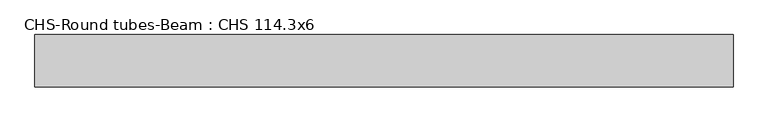
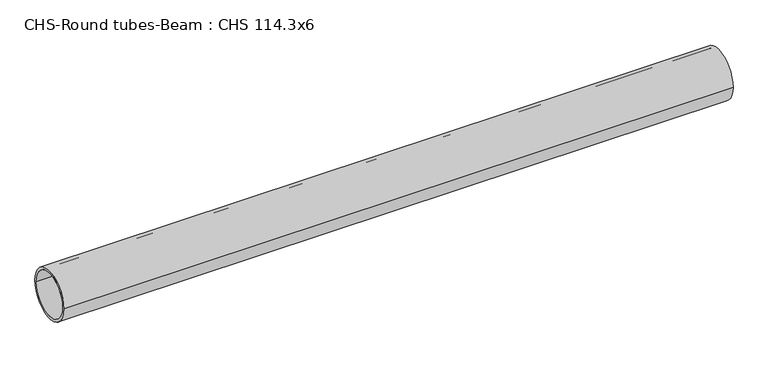
"""IFC4 building model written with IfcOpenShell, lengths in millimetres: beam geometry, CHS-Round tubes-Beam : CHS 114.3x6."""

from ifc_helpers import new_model, si_unit, point, frame, origin, origin_2d, place, context, project, spatial, circle_curve, trimmed, segment, composite_curve, outline, extrude, source, transform, mapped, element, save


def chs_round_tubes_beam_chs_114_3x6_b72fbccd(model_context):
    return source(origin(), model_context, "Body", "SweptSolid", [
        extrude(outline(composite_curve([segment(trimmed(circle_curve(origin_2d(), 57.15), [point((57.15, 0.0))], [point((-57.15, 0.0))], False, "CARTESIAN"), True, "CONTINUOUS"), segment(trimmed(circle_curve(origin_2d(), 57.15), [point((-57.15, 0.0))], [point((57.15, 0.0))], False, "CARTESIAN"), True, "CONTINUOUS")], self_intersect=False), holes=[composite_curve([segment(trimmed(circle_curve(origin_2d(), 51.15), [point((51.15, 0.0))], [point((-51.15, 0.0))], True, "CARTESIAN"), True, "CONTINUOUS"), segment(trimmed(circle_curve(origin_2d(), 51.15), [point((-51.15, 0.0))], [point((51.15, 0.0))], True, "CARTESIAN"), True, "CONTINUOUS")], self_intersect=False)]), frame((-777.2475191, 0.0, 0.0), z_axis=(1.0, 0.0, 0.0), x_axis=(0.0, 1.0, 0.0)), (0.0, 0.0, 1.0), 1528.2493023),
    ])


if __name__ == "__main__":
    model = new_model("IFC4")
    model_context = context("Model", 3, world=origin())
    ifc_project = project(units=[si_unit("LENGTHUNIT", "METRE", prefix="MILLI")], contexts=[model_context])
    site = spatial("IfcSite", under=ifc_project)
    building = spatial("IfcBuilding", under=site)
    placement = place(None, origin())
    chs_round_tubes_beam_chs_114_3x6_shape = chs_round_tubes_beam_chs_114_3x6_b72fbccd(model_context)
    element("IfcBeam", 1, ObjectType="CHS-Round tubes-Beam : CHS 114.3x6", at=placement, inside=building, context=model_context, shape_type="MappedRepresentation", body=[
        mapped(chs_round_tubes_beam_chs_114_3x6_shape, transform((0.0, 0.0, 0.0), x_axis=(1.0, 0.0, 0.0), y_axis=(0.0, 1.0, 0.0), z_axis=(0.0, 0.0, 1.0))),
    ])
    save(model, "model.ifc")
